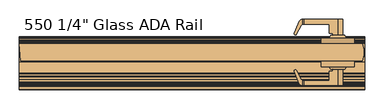
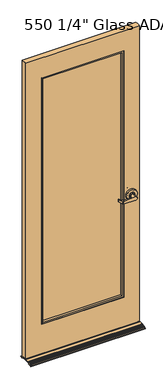
"""IFC4 building model written with IfcOpenShell, lengths in millimetres: door geometry."""

from ifc_helpers import new_model, si_unit, point, frame, frame_2d, origin, place, context, project, spatial, polyline, circle_curve, ellipse_curve, trimmed, segment, composite_curve, outline, extrude, faceted_brep, source, transform, mapped, element, save
from ifc_brep_helpers import plane_surface, cylinder_surface, revolved_surface, advanced_brep


def door_2efe741b(model_context):
    return source(origin(), model_context, "Body", "SolidModel", [
        advanced_brep(
        [(286.3528439, 133.746875, 1101.2430869), (290.0158065, 133.746875, 1101.2430869), (378.2808065, 133.746875, 1103.7830869), (391.6158065, 133.746875, 1090.4480869), (378.2808065, 133.746875, 1077.1130869), (290.0158065, 133.746875, 1079.6530869), (286.3528439, 133.746875, 1079.6530869), (364.9458065, 92.141675, 1077.4968279), (378.2808065, 92.141675, 1077.1130869), (391.6158065, 92.141675, 1090.4480869), (378.2808065, 92.141675, 1103.7830869), (364.9458065, 92.141675, 1103.3993459), (286.3528439, 121.1368647, 1101.2430869), (279.0463366, 128.9108033, 1100.9316678), (265.7891695, 97.678875, 1100.3666187), (271.202333, 94.7977413, 1100.5973394), (284.0998473, 119.0299912, 1101.1470593), (288.3039501, 121.554875, 1101.2430869), (290.0158065, 121.554875, 1101.2430869), (356.4368065, 121.554875, 1103.1544826), (356.4368065, 97.678875, 1103.1544826), (364.9458065, 97.678875, 1103.3993459), (364.9458065, 97.678875, 1077.4968279), (356.4368065, 97.678875, 1077.7416912), (356.4368065, 121.554875, 1077.7416912), (290.0158065, 121.554875, 1079.6530869), (288.3039501, 121.554875, 1079.6530869), (286.3528439, 121.1368647, 1079.6530869), (284.0998473, 119.0299912, 1079.7491144), (271.202333, 94.7977413, 1080.2988343), (265.7891695, 97.678875, 1080.5295551), (279.0463366, 128.9108033, 1079.964506)],
        [
            (0, 1),
            (1, 2),
            (2, 3, circle_curve(frame((378.2808065, 133.746875, 1090.4480869), z_axis=(0.0, 1.0, 0.0), x_axis=(-0.35585702448964207, 0.0, -0.934540410106154)), 13.335)),
            (3, 4, circle_curve(frame((378.2808065, 133.746875, 1090.4480869), z_axis=(0.0, 1.0, 0.0), x_axis=(-0.35585702448964207, 0.0, -0.934540410106154)), 13.335)),
            (4, 5),
            (5, 6),
            (6, 0),
            (7, 8),
            (8, 9, circle_curve(frame((378.2808065, 92.141675, 1090.4480869), z_axis=(0.0, -1.0, 0.0), x_axis=(-0.35585702448964207, 0.0, -0.934540410106154)), 13.335)),
            (9, 10, circle_curve(frame((378.2808065, 92.141675, 1090.4480869), z_axis=(0.0, -1.0, 0.0), x_axis=(-0.35585702448964207, 0.0, -0.934540410106154)), 13.335)),
            (10, 11),
            (11, 7),
            (12, 0),
            (0, 13, ellipse_curve(frame((286.3528439, 125.809375, 1101.2430869), z_axis=(-0.04258349589019025, 0.0, 0.9990929115341427), x_axis=(-0.9990929115341426, 0.0, -0.0425834958901871)), 7.9447066, 7.9375)),
            (13, 14),
            (14, 15, ellipse_curve(frame((268.6223914, 96.4762437, 1100.4873767), z_axis=(-0.04258349589019025, 0.0, 0.9990929115341427), x_axis=(-0.9990929115341426, 0.0, -0.0425834958901871)), 3.0806945, 3.0779)),
            (15, 16),
            (16, 12, ellipse_curve(frame((288.3039501, 116.792375, 1101.3262472), z_axis=(0.04258349589019025, 0.0, -0.9990929115341427), x_axis=(0.9990929115341426, 0.0, 0.0425834958901871)), 4.7668239, 4.7625)),
            (12, 17, circle_curve(frame((288.3039501, 116.792375, 1101.2430869), z_axis=(0.0, 0.0, -1.0), x_axis=(-0.8827512326927958, 0.4698406763780139, 0.0)), 4.7625)),
            (17, 18),
            (18, 1),
            (18, 19),
            (19, 20),
            (20, 21),
            (21, 11),
            (10, 2),
            (8, 4),
            (7, 22),
            (22, 23),
            (23, 24),
            (24, 25),
            (25, 5),
            (25, 26),
            (26, 27, circle_curve(frame((288.3039501, 116.792375, 1079.6530869), z_axis=(0.0, 0.0, 1.0), x_axis=(-0.8827512326927958, 0.4698406763780139, 0.0)), 4.7625)),
            (27, 6),
            (27, 28, ellipse_curve(frame((288.3039501, 116.792375, 1079.5699265), z_axis=(0.04258349589018283, 0.0, 0.999092911534143), x_axis=(-0.9990929115341431, 0.0, 0.04258349589017888)), 4.7668239, 4.7625)),
            (28, 29),
            (29, 30, ellipse_curve(frame((268.6223914, 96.4762437, 1080.408797), z_axis=(-0.04258349589018283, 0.0, -0.999092911534143), x_axis=(0.9990929115341431, 0.0, -0.04258349589017888)), 3.0806945, 3.0779)),
            (30, 31),
            (31, 6, ellipse_curve(frame((286.3528439, 125.809375, 1079.6530869), z_axis=(-0.04258349589018283, 0.0, -0.999092911534143), x_axis=(0.9990929115341431, 0.0, -0.04258349589017888)), 7.9447066, 7.9375)),
            (21, 22),
            (20, 23),
            (19, 24),
            (17, 26),
            (16, 28),
            (15, 29),
            (14, 30),
            (13, 31),
        ],
        [
            plane_surface(frame((259.5358065, 133.746875, 1098.5788082), z_axis=(0.0, 1.0, 0.0), x_axis=(0.0, 0.0, 1.0))),
            plane_surface(frame((259.5358065, 92.141675, 1098.5788082), z_axis=(0.0, -1.0, 0.0), x_axis=(0.0, 0.0, -1.0))),
            plane_surface(frame((261.0557052, 133.746875, 1100.1648682), z_axis=(-0.04258349589019025, 0.0, 0.9990929115341427), x_axis=(0.0, -1.0, 0.0))),
            plane_surface(frame((286.3528439, 133.746875, 1101.2430869), z_axis=(0.0, 0.0, 1.0), x_axis=(0.0, -1.0, 0.0))),
            plane_surface(frame((290.0158065, 133.746875, 1101.2430869), z_axis=(-0.028765070496247484, 0.0, 0.9995861997443473), x_axis=(0.0, -1.0, 0.0))),
            cylinder_surface(frame((378.2808065, 92.141675, 1090.4480869), z_axis=(0.0, 1.0, 0.0), x_axis=(-0.35585702448964207, 0.0, -0.934540410106154)), 13.335),
            plane_surface(frame((378.2808065, 133.746875, 1077.1130869), z_axis=(-0.028765070496247748, 0.0, -0.9995861997443471), x_axis=(0.0, -1.0, 0.0))),
            plane_surface(frame((290.0158065, 133.746875, 1079.6530869), z_axis=(0.0, 0.0, -1.0), x_axis=(0.0, -1.0, 0.0))),
            plane_surface(frame((286.3528439, 133.746875, 1079.6530869), z_axis=(-0.04258349589018283, 0.0, -0.999092911534143), x_axis=(0.0, -1.0, 0.0))),
            plane_surface(frame((364.9458065, 92.141675, 1138.1713932), z_axis=(-1.0, 0.0, 0.0), x_axis=(0.0, 0.0, -1.0))),
            plane_surface(frame((364.9458065, 97.678875, 1138.1713932), z_axis=(0.0, -1.0, 0.0), x_axis=(0.0, 0.0, -1.0))),
            plane_surface(frame((356.4368065, 97.678875, 1138.1713932), z_axis=(-1.0, 0.0, 0.0), x_axis=(0.0, 0.0, -1.0))),
            plane_surface(frame((356.4368065, 121.554875, 1138.1713932), z_axis=(0.0, -1.0, 0.0), x_axis=(0.0, 0.0, -1.0))),
            revolved_surface(polyline([(284.09984735430055, 119.0299912212503, 1101.5292352259548), (284.09984735430055, 119.0299912212503, 1079.3669384740451)]), (288.3039501, 116.792375, 1044.5572227), (0.0, 0.0, 1.0)),
            plane_surface(frame((284.0998473, 119.0299912, 1138.1713932), z_axis=(0.8827512326925905, -0.4698406763783997, 0.0), x_axis=(0.0, 0.0, -1.0))),
            cylinder_surface(frame((268.6223914, 96.4762437, 1044.5572227), z_axis=(0.0, 0.0, -1.0), x_axis=(-1.0, 0.0, 0.0)), 3.0779),
            plane_surface(frame((265.7891695, 97.678875, 1138.1713932), z_axis=(-0.9205048534524358, 0.39073112848928443, 0.0), x_axis=(0.0, 0.0, -1.0))),
            cylinder_surface(frame((286.3528439, 125.809375, 1044.5572227), z_axis=(0.0, 0.0, -1.0), x_axis=(0.0, 1.0, 0.0)), 7.9375),
        ],
        [
            (0, [[1, 2, 3, 4, 5, 6, 7]]),
            (1, [[8, 9, 10, 11, 12]]),
            (2, [[13, 14, 15, 16, 17, 18]]),
            (3, [[-1, -13, 19, 20, 21]]),
            (4, [[-2, -21, 22, 23, 24, 25, -11, 26]]),
            (5, [[-26, -10, -9, 27, -4, -3]]),
            (6, [[-5, -27, -8, 28, 29, 30, 31, 32]]),
            (7, [[-6, -32, 33, 34, 35]]),
            (8, [[-35, 36, 37, 38, 39, 40]]),
            (9, [[41, -28, -12, -25]]),
            (10, [[-41, -24, 42, -29]]),
            (11, [[-42, -23, 43, -30]]),
            (12, [[-43, -22, -20, 44, -33, -31]]),
            (13, [[-44, -19, -18, 45, -36, -34]]),
            (14, [[-45, -17, 46, -37]]),
            (15, [[-46, -16, 47, -38]]),
            (16, [[-47, -15, 48, -39]]),
            (17, [[-48, -14, -7, -40]]),
        ],
    ),
        advanced_brep(
        [(360.0245565, 92.141675, 1090.4480869), (396.5370565, 92.141675, 1090.4480869), (355.7383065, 84.851875, 1090.4480869), (400.8233065, 84.851875, 1090.4480869)],
        [
            (0, 1, circle_curve(frame((378.2808065, 92.141675, 1090.4480869), z_axis=(0.0, 1.0, 0.0), x_axis=(-1.0, 0.0, 0.0)), 18.25625)),
            (1, 0, circle_curve(frame((378.2808065, 92.141675, 1090.4480869), z_axis=(0.0, 1.0, 0.0), x_axis=(1.0, 0.0, 0.0)), 18.25625)),
            (2, 3, circle_curve(frame((378.2808065, 84.851875, 1090.4480869), z_axis=(0.0, -1.0, 0.0), x_axis=(1.0, 0.0, 0.0)), 22.5425)),
            (3, 2, circle_curve(frame((378.2808065, 84.851875, 1090.4480869), z_axis=(0.0, -1.0, 0.0), x_axis=(-1.0, 0.0, 0.0)), 22.5425)),
            (3, 1),
            (0, 2),
        ],
        [
            plane_surface(frame((378.2808065, 92.141675, 1090.4480869), z_axis=(0.0, 1.0, 0.0), x_axis=(0.0, 0.0, 1.0))),
            plane_surface(frame((378.2808065, 84.851875, 1090.4480869), z_axis=(0.0, -1.0, 0.0), x_axis=(0.0, 0.0, 1.0))),
            revolved_surface(polyline([(360.0245565053829, 92.141675, 1090.4480869), (355.7383065, 84.851875, 1090.4480869)]), (378.2808065, 123.1908231, 1090.4480869), (0.0, -1.0, 0.0)),
            revolved_surface(polyline([(396.5370564946171, 92.141675, 1090.4480869), (400.8233065, 84.851875, 1090.4480869)]), (378.2808065, 123.1908231, 1090.4480869), (0.0, -1.0, 0.0)),
        ],
        [
            (0, [[1, 2]]),
            (1, [[3, 4]]),
            (2, [[-4, 5, -1, 6]]),
            (3, [[-3, -6, -2, -5]]),
        ],
    ),
        extrude(outline(composite_curve([segment(trimmed(circle_curve(frame_2d((1090.4480869, 378.2808065)), 42.46499), [point((1090.4480869, 335.8158165))], [point((1090.4480869, 420.7457965))], False, "CARTESIAN"), True, "CONTINUOUS"), segment(trimmed(circle_curve(frame_2d((1090.4480869, 378.2808065)), 42.46499), [point((1090.4480869, 420.7457965))], [point((1090.4480869, 335.8158165))], False, "CARTESIAN"), True, "CONTINUOUS")], self_intersect=False)), frame((0.0, 70.246875, 0.0), z_axis=(0.0, 1.0, 0.0), x_axis=(0.0, 0.0, 1.0)), (0.0, 0.0, 1.0), 14.605),
        advanced_brep(
        [(286.3528439, -37.703125, 1101.2430869), (286.3528439, -37.703125, 1079.6530869), (290.0158065, -37.703125, 1079.6530869), (378.2808065, -37.703125, 1077.1130869), (391.6158065, -37.703125, 1090.4480869), (378.2808065, -37.703125, 1103.7830869), (290.0158065, -37.703125, 1101.2430869), (364.9458065, 3.902075, 1077.4968279), (364.9458065, 3.902075, 1103.3993459), (378.2808065, 3.902075, 1103.7830869), (391.6158065, 3.902075, 1090.4480869), (378.2808065, 3.902075, 1077.1130869), (286.3528439, -25.0931147, 1101.2430869), (284.0998473, -22.9862412, 1101.1470593), (271.202333, 1.2460087, 1100.5973394), (265.7891695, -1.635125, 1100.3666187), (279.0463366, -32.8670533, 1100.9316678), (290.0158065, -25.511125, 1101.2430869), (288.3039501, -25.511125, 1101.2430869), (364.9458065, -1.635125, 1103.3993459), (356.4368065, -1.635125, 1103.1544826), (356.4368065, -25.511125, 1103.1544826), (290.0158065, -25.511125, 1079.6530869), (356.4368065, -25.511125, 1077.7416912), (356.4368065, -1.635125, 1077.7416912), (364.9458065, -1.635125, 1077.4968279), (286.3528439, -25.0931147, 1079.6530869), (288.3039501, -25.511125, 1079.6530869), (279.0463366, -32.8670533, 1079.964506), (265.7891695, -1.635125, 1080.5295551), (271.202333, 1.2460087, 1080.2988343), (284.0998473, -22.9862412, 1079.7491144)],
        [
            (0, 1),
            (1, 2),
            (2, 3),
            (3, 4, circle_curve(frame((378.2808065, -37.703125, 1090.4480869), z_axis=(0.0, -1.0, 0.0), x_axis=(-0.35585702448964207, 0.0, -0.934540410106154)), 13.335)),
            (4, 5, circle_curve(frame((378.2808065, -37.703125, 1090.4480869), z_axis=(0.0, -1.0, 0.0), x_axis=(-0.35585702448964207, 0.0, -0.934540410106154)), 13.335)),
            (5, 6),
            (6, 0),
            (7, 8),
            (8, 9),
            (9, 10, circle_curve(frame((378.2808065, 3.902075, 1090.4480869), z_axis=(0.0, 1.0, 0.0), x_axis=(-0.35585702448964207, 0.0, -0.934540410106154)), 13.335)),
            (10, 11, circle_curve(frame((378.2808065, 3.902075, 1090.4480869), z_axis=(0.0, 1.0, 0.0), x_axis=(-0.35585702448964207, 0.0, -0.934540410106154)), 13.335)),
            (11, 7),
            (12, 13, ellipse_curve(frame((288.3039501, -20.748625, 1101.3262472), z_axis=(0.04258349589019025, 0.0, -0.9990929115341427), x_axis=(0.9990929115341426, 0.0, 0.0425834958901871)), 4.7668239, 4.7625)),
            (13, 14),
            (14, 15, ellipse_curve(frame((268.6223914, -0.4324937, 1100.4873767), z_axis=(-0.04258349589019025, 0.0, 0.9990929115341427), x_axis=(-0.9990929115341426, 0.0, -0.0425834958901871)), 3.0806945, 3.0779)),
            (15, 16),
            (16, 0, ellipse_curve(frame((286.3528439, -29.765625, 1101.2430869), z_axis=(-0.04258349589019025, 0.0, 0.9990929115341427), x_axis=(-0.9990929115341426, 0.0, -0.0425834958901871)), 7.9447066, 7.9375)),
            (0, 12),
            (6, 17),
            (17, 18),
            (18, 12, circle_curve(frame((288.3039501, -20.748625, 1101.2430869), z_axis=(0.0, 0.0, -1.0), x_axis=(-0.8827512326927958, -0.4698406763780139, 0.0)), 4.7625)),
            (5, 9),
            (8, 19),
            (19, 20),
            (20, 21),
            (21, 17),
            (3, 11),
            (2, 22),
            (22, 23),
            (23, 24),
            (24, 25),
            (25, 7),
            (1, 26),
            (26, 27, circle_curve(frame((288.3039501, -20.748625, 1079.6530869), z_axis=(0.0, 0.0, 1.0), x_axis=(-0.8827512326927958, -0.4698406763780139, 0.0)), 4.7625)),
            (27, 22),
            (1, 28, ellipse_curve(frame((286.3528439, -29.765625, 1079.6530869), z_axis=(-0.04258349589018283, 0.0, -0.999092911534143), x_axis=(0.9990929115341431, 0.0, -0.04258349589017888)), 7.9447066, 7.9375)),
            (28, 29),
            (29, 30, ellipse_curve(frame((268.6223914, -0.4324937, 1080.408797), z_axis=(-0.04258349589018283, 0.0, -0.999092911534143), x_axis=(0.9990929115341431, 0.0, -0.04258349589017888)), 3.0806945, 3.0779)),
            (30, 31),
            (31, 26, ellipse_curve(frame((288.3039501, -20.748625, 1079.5699265), z_axis=(0.04258349589018283, 0.0, 0.999092911534143), x_axis=(-0.9990929115341431, 0.0, 0.04258349589017888)), 4.7668239, 4.7625)),
            (25, 19),
            (24, 20),
            (23, 21),
            (27, 18),
            (31, 13),
            (30, 14),
            (29, 15),
            (28, 16),
        ],
        [
            plane_surface(frame((259.5358065, -37.703125, 1098.5788082), z_axis=(0.0, -1.0, 0.0), x_axis=(0.0, 0.0, 1.0))),
            plane_surface(frame((259.5358065, 3.902075, 1098.5788082), z_axis=(0.0, 1.0, 0.0), x_axis=(0.0, 0.0, -1.0))),
            plane_surface(frame((261.0557052, -37.703125, 1100.1648682), z_axis=(-0.04258349589019025, 0.0, 0.9990929115341427), x_axis=(0.0, 1.0, 0.0))),
            plane_surface(frame((286.3528439, -37.703125, 1101.2430869), z_axis=(0.0, 0.0, 1.0), x_axis=(0.0, 1.0, 0.0))),
            plane_surface(frame((290.0158065, -37.703125, 1101.2430869), z_axis=(-0.028765070496247484, 0.0, 0.9995861997443473), x_axis=(0.0, 1.0, 0.0))),
            cylinder_surface(frame((378.2808065, 3.902075, 1090.4480869), z_axis=(0.0, -1.0, 0.0), x_axis=(-0.35585702448964207, 0.0, -0.934540410106154)), 13.335),
            plane_surface(frame((378.2808065, -37.703125, 1077.1130869), z_axis=(-0.028765070496247748, 0.0, -0.9995861997443471), x_axis=(0.0, 1.0, 0.0))),
            plane_surface(frame((290.0158065, -37.703125, 1079.6530869), z_axis=(0.0, 0.0, -1.0), x_axis=(0.0, 1.0, 0.0))),
            plane_surface(frame((286.3528439, -37.703125, 1079.6530869), z_axis=(-0.04258349589018283, 0.0, -0.999092911534143), x_axis=(0.0, 1.0, 0.0))),
            plane_surface(frame((364.9458065, 3.902075, 1138.1713932), z_axis=(-1.0, 0.0, 0.0), x_axis=(0.0, 0.0, -1.0))),
            plane_surface(frame((364.9458065, -1.635125, 1138.1713932), z_axis=(0.0, 1.0, 0.0), x_axis=(0.0, 0.0, -1.0))),
            plane_surface(frame((356.4368065, -1.635125, 1138.1713932), z_axis=(-1.0, 0.0, 0.0), x_axis=(0.0, 0.0, -1.0))),
            plane_surface(frame((356.4368065, -25.511125, 1138.1713932), z_axis=(0.0, 1.0, 0.0), x_axis=(0.0, 0.0, -1.0))),
            revolved_surface(polyline([(284.09984735430055, -22.986241221250292, 1101.5292352259548), (284.09984735430055, -22.986241221250292, 1079.3669384740451)]), (288.3039501, -20.748625, 1044.5572227), (0.0, 0.0, 1.0)),
            plane_surface(frame((284.0998473, -22.9862412, 1138.1713932), z_axis=(0.8827512326925905, 0.4698406763783997, 0.0), x_axis=(0.0, 0.0, -1.0))),
            cylinder_surface(frame((268.6223914, -0.4324937, 1044.5572227), z_axis=(0.0, 0.0, -1.0), x_axis=(-1.0, 0.0, 0.0)), 3.0779),
            plane_surface(frame((265.7891695, -1.635125, 1138.1713932), z_axis=(-0.9205048534524358, -0.39073112848928443, 0.0), x_axis=(0.0, 0.0, -1.0))),
            cylinder_surface(frame((286.3528439, -29.765625, 1044.5572227), z_axis=(0.0, 0.0, -1.0), x_axis=(0.0, -1.0, 0.0)), 7.9375),
        ],
        [
            (0, [[1, 2, 3, 4, 5, 6, 7]]),
            (1, [[8, 9, 10, 11, 12]]),
            (2, [[13, 14, 15, 16, 17, 18]]),
            (3, [[19, 20, 21, -18, -7]]),
            (4, [[22, -9, 23, 24, 25, 26, -19, -6]]),
            (5, [[-5, -4, 27, -11, -10, -22]]),
            (6, [[28, 29, 30, 31, 32, -12, -27, -3]]),
            (7, [[33, 34, 35, -28, -2]]),
            (8, [[36, 37, 38, 39, 40, -33]]),
            (9, [[-23, -8, -32, 41]]),
            (10, [[-31, 42, -24, -41]]),
            (11, [[-30, 43, -25, -42]]),
            (12, [[-29, -35, 44, -20, -26, -43]]),
            (13, [[-34, -40, 45, -13, -21, -44]]),
            (14, [[-39, 46, -14, -45]]),
            (15, [[-38, 47, -15, -46]]),
            (16, [[-37, 48, -16, -47]]),
            (17, [[-36, -1, -17, -48]]),
        ],
    ),
        advanced_brep(
        [(360.0245565, 3.902075, 1090.4480869), (396.5370565, 3.902075, 1090.4480869), (355.7383065, 11.191875, 1090.4480869), (400.8233065, 11.191875, 1090.4480869)],
        [
            (0, 1, circle_curve(frame((378.2808065, 3.902075, 1090.4480869), z_axis=(0.0, -1.0, 0.0), x_axis=(1.0, 0.0, 0.0)), 18.25625)),
            (1, 0, circle_curve(frame((378.2808065, 3.902075, 1090.4480869), z_axis=(0.0, -1.0, 0.0), x_axis=(-1.0, 0.0, 0.0)), 18.25625)),
            (2, 3, circle_curve(frame((378.2808065, 11.191875, 1090.4480869), z_axis=(0.0, 1.0, 0.0), x_axis=(-1.0, 0.0, 0.0)), 22.5425)),
            (3, 2, circle_curve(frame((378.2808065, 11.191875, 1090.4480869), z_axis=(0.0, 1.0, 0.0), x_axis=(1.0, 0.0, 0.0)), 22.5425)),
            (2, 0),
            (1, 3),
        ],
        [
            plane_surface(frame((378.2808065, 3.902075, 1090.4480869), z_axis=(0.0, -1.0, 0.0), x_axis=(0.0, 0.0, 1.0))),
            plane_surface(frame((378.2808065, 11.191875, 1090.4480869), z_axis=(0.0, 1.0, 0.0), x_axis=(0.0, 0.0, 1.0))),
            revolved_surface(polyline([(360.0245565053829, 3.902075, 1090.4480869), (355.7383065, 11.191874999999996, 1090.4480869)]), (378.2808065, -27.1470731, 1090.4480869), (0.0, 1.0, 0.0)),
            revolved_surface(polyline([(396.5370564946171, 3.902075, 1090.4480869), (400.8233065, 11.191874999999996, 1090.4480869)]), (378.2808065, -27.1470731, 1090.4480869), (0.0, 1.0, 0.0)),
        ],
        [
            (0, [[1, 2]]),
            (1, [[3, 4]]),
            (2, [[5, -2, 6, -3]]),
            (3, [[-6, -1, -5, -4]]),
        ],
    ),
        extrude(outline(composite_curve([segment(trimmed(circle_curve(frame_2d((1090.4480869, 378.2808065)), 42.46499), [point((1090.4480869, 335.8158165))], [point((1090.4480869, 420.7457965))], False, "CARTESIAN"), True, "CONTINUOUS"), segment(trimmed(circle_curve(frame_2d((1090.4480869, 378.2808065)), 42.46499), [point((1090.4480869, 420.7457965))], [point((1090.4480869, 335.8158165))], False, "CARTESIAN"), True, "CONTINUOUS")], self_intersect=False)), frame((0.0, 11.191875, 0.0), z_axis=(0.0, 1.0, 0.0), x_axis=(0.0, 0.0, 1.0)), (0.0, 0.0, 1.0), 14.605),
        faceted_brep([(321.4751047, 29.3257468, 2292.35), (321.4751047, 27.384375, 2292.35), (321.4751047, 27.384375, 258.7625), (321.4751047, 29.3257468, 258.7625), (316.1172922, 44.8467453, 2286.9921875), (316.1172922, 29.3257468, 2286.9921875), (316.1172922, 29.3257468, 264.1203125), (316.1172922, 44.8467453, 264.1203125), (308.7751047, 27.384375, 2279.65), (308.7751047, 44.8467453, 2279.65), (308.7751047, 44.8467453, 271.4625), (308.7751047, 27.384375, 271.4625), (-321.4751047, 27.384375, 258.7625), (-321.4751047, 29.3257468, 258.7625), (-316.1172922, 29.3257468, 264.1203125), (-316.1172922, 44.8467453, 264.1203125), (-308.7751047, 44.8467453, 271.4625), (-308.7751047, 27.384375, 271.4625), (-321.4751047, 27.384375, 2292.35), (-321.4751047, 29.3257468, 2292.35), (-316.1172922, 29.3257468, 2286.9921875), (-316.1172922, 44.8467453, 2286.9921875), (-308.7751047, 44.8467453, 2279.65), (-308.7751047, 27.384375, 2279.65)], [[[0, 1, 2, 3]], [[4, 5, 6, 7]], [[8, 9, 10, 11]], [[3, 2, 12, 13]], [[7, 6, 14, 15]], [[11, 10, 16, 17]], [[13, 12, 18, 19]], [[15, 14, 20, 21]], [[17, 16, 22, 23]], [[19, 18, 1, 0]], [[3, 13, 19, 0], [5, 20, 14, 6]], [[21, 20, 5, 4]], [[7, 15, 21, 4], [9, 22, 16, 10]], [[23, 22, 9, 8]], [[1, 18, 12, 2], [11, 17, 23, 8]]]),
        faceted_brep([(308.7751047, 51.1970047, 2279.65), (308.7751047, 68.659375, 2279.65), (308.7751047, 68.659375, 271.4625), (308.7751047, 51.1970047, 271.4625), (316.1172922, 66.7180032, 2286.9921875), (316.1172922, 51.1970047, 2286.9921875), (316.1172922, 51.1970047, 264.1203125), (316.1172922, 66.7180032, 264.1203125), (321.4751047, 68.659375, 2292.35), (321.4751047, 66.7180032, 2292.35), (321.4751047, 66.7180032, 258.7625), (321.4751047, 68.659375, 258.7625), (-308.7751047, 68.659375, 271.4625), (-308.7751047, 51.1970047, 271.4625), (-316.1172922, 51.1970047, 264.1203125), (-316.1172922, 66.7180032, 264.1203125), (-321.4751047, 66.7180032, 258.7625), (-321.4751047, 68.659375, 258.7625), (-308.7751047, 68.659375, 2279.65), (-308.7751047, 51.1970047, 2279.65), (-316.1172922, 51.1970047, 2286.9921875), (-316.1172922, 66.7180032, 2286.9921875), (-321.4751047, 66.7180032, 2292.35), (-321.4751047, 68.659375, 2292.35)], [[[0, 1, 2, 3]], [[4, 5, 6, 7]], [[8, 9, 10, 11]], [[3, 2, 12, 13]], [[7, 6, 14, 15]], [[11, 10, 16, 17]], [[13, 12, 18, 19]], [[15, 14, 20, 21]], [[17, 16, 22, 23]], [[11, 17, 23, 8], [1, 18, 12, 2]], [[19, 18, 1, 0]], [[5, 20, 14, 6], [3, 13, 19, 0]], [[21, 20, 5, 4]], [[9, 22, 16, 10], [7, 15, 21, 4]], [[23, 22, 9, 8]]]),
        advanced_brep(
        [(-444.9070087, 25.796875, 2457.45), (-444.9070087, 25.796875, 17.4625), (442.6428763, 25.796875, 17.4625), (442.6428763, 25.796875, 2457.45), (321.4751047, 25.796875, 258.7625), (-321.4751047, 25.796875, 258.7625), (-321.4751047, 25.796875, 2292.35), (321.4751047, 25.796875, 2292.35), (-448.4884075, 70.246875, 17.4625), (442.6428763, 70.246875, 17.4625), (-448.4884075, 70.246875, 2457.45), (442.6428763, 70.246875, 2457.45), (321.4751047, 70.246875, 258.7625), (321.4751047, 70.246875, 2292.35), (-321.4751047, 70.246875, 2292.35), (-321.4751047, 70.246875, 258.7625)],
        [
            (0, 1),
            (1, 2),
            (2, 3),
            (3, 0),
            (4, 5),
            (5, 6),
            (6, 7),
            (7, 4),
            (1, 8),
            (8, 9),
            (9, 2, circle_curve(frame((368.6301569, 48.021875, 17.4625), z_axis=(0.0, 0.0, -1.0), x_axis=(1.0, 0.0, 0.0)), 77.2776375)),
            (8, 10),
            (10, 11),
            (11, 9),
            (12, 13),
            (13, 14),
            (14, 15),
            (15, 12),
            (4, 12),
            (15, 5),
            (6, 14),
            (13, 7),
            (3, 11, circle_curve(frame((368.6301569, 48.021875, 2457.45), z_axis=(0.0, 0.0, 1.0), x_axis=(1.0, 0.0, 0.0)), 77.2776375)),
            (10, 0),
        ],
        [
            plane_surface(frame((321.4751047, 25.796875, 258.7625), z_axis=(0.0, -1.0, 0.0), x_axis=(-1.0, 0.0, 0.0))),
            plane_surface(frame((321.4751047, 25.796875, 17.4625), z_axis=(0.0, 0.0, -1.0), x_axis=(-1.0, 0.0, 0.0))),
            plane_surface(frame((321.4751047, 70.246875, 17.4625), z_axis=(0.0, 1.0, 0.0), x_axis=(-1.0, 0.0, 0.0))),
            plane_surface(frame((321.4751047, 70.246875, 258.7625), z_axis=(0.0, 0.0, 1.0), x_axis=(-1.0, 0.0, 0.0))),
            plane_surface(frame((321.4751047, 25.796875, 2292.35), z_axis=(0.0, 0.0, -1.0), x_axis=(-1.0, 0.0, 0.0))),
            plane_surface(frame((321.4751047, 70.246875, 2457.45), z_axis=(0.0, 0.0, 1.0), x_axis=(-1.0, 0.0, 0.0))),
            plane_surface(frame((-321.4751047, 25.796875, 2457.45), z_axis=(1.0, 0.0, 0.0), x_axis=(0.0, 0.0, -1.0))),
            plane_surface(frame((-448.4884075, 70.246875, 2457.45), z_axis=(-0.996769843104391, -0.08031114416846477, 0.0), x_axis=(0.0, 0.0, -1.0))),
            cylinder_surface(frame((368.6301569, 48.021875, 0.0), z_axis=(0.0, 0.0, 1.0), x_axis=(1.0, 0.0, 0.0)), 77.2776375),
            plane_surface(frame((321.4751047, 70.246875, 2457.45), z_axis=(-1.0, 0.0, 0.0), x_axis=(0.0, 0.0, -1.0))),
        ],
        [
            (0, [[1, 2, 3, 4], [5, 6, 7, 8]]),
            (1, [[-2, 9, 10, 11]]),
            (2, [[-10, 12, 13, 14], [15, 16, 17, 18]]),
            (3, [[-5, 19, -18, 20]]),
            (4, [[-7, 21, -16, 22]]),
            (5, [[-4, 23, -13, 24]]),
            (6, [[-17, -21, -6, -20]]),
            (7, [[-24, -12, -9, -1]]),
            (8, [[-23, -3, -11, -14]]),
            (9, [[-8, -22, -15, -19]]),
        ],
    ),
        extrude(outline(polyline([(-316.1172922, 44.8467453), (-316.1172922, 51.1970047), (316.1172922, 51.1970047), (316.1172922, 44.8467453), (-316.1172922, 44.8467453)])), frame((0.0, 0.0, 258.7625), z_axis=(0.0, 0.0, 1.0), x_axis=(1.0, 0.0, 0.0)), (0.0, 0.0, 1.0), 2033.5875),
        advanced_brep(
        [(-448.4751, 87.4513726, 3.2341181), (-448.4751, 89.2759278, 0.0029879), (-448.4751, 84.3683392, 0.6976729), (-448.4751, 84.3683392, 1.6022659), (-448.4751, 78.4930535, 4.2970662), (-448.4751, 78.105628, 5.3410171), (-448.4751, 77.1359136, 5.7857932), (-448.4751, 76.0919626, 5.3983677), (-448.4751, 72.3298298, 7.1239343), (-448.4751, 72.3298298, 1.8e-06), (-448.4751, 70.7550228, 1.8e-06), (-448.4751, 70.7550228, 7.8462464), (-448.4751, 69.6421988, 8.3566622), (-448.4751, 58.6937899, 8.3566622), (-448.4751, 57.9063622, 7.5692345), (-448.4751, 52.4123746, 7.5692345), (-448.4751, 51.6249711, 8.356638), (-448.4751, 50.56578, 8.356638), (-448.4751, 49.7783765, 7.5692345), (-448.4751, 44.2843632, 7.5692345), (-448.4751, 43.4969839, 8.3566138), (-448.4751, 42.4377701, 8.3566138), (-448.4751, 41.6503666, 7.5692103), (-448.4751, 36.1563761, 7.5692103), (-448.4751, 35.3689847, 8.3566017), (-448.4751, 2.4647023, 8.3566017), (-448.4751, 2.4647023, 9.9313965), (-448.4751, -2.916198, 9.9313965), (-448.4751, -3.7036015, 9.143993), (-448.4751, -9.1938025, 9.143993), (-448.4751, -9.9811938, 9.9313844), (-448.4751, -11.0480069, 9.9313844), (-448.4751, -11.8353983, 9.143993), (-448.4751, -17.3255821, 9.143993), (-448.4751, -18.1129856, 9.9313965), (-448.4751, -20.8741431, 9.9313965), (-448.4751, -20.8741431, 1.8e-06), (-448.4751, -22.5068476, 1.8e-06), (-448.4751, -22.5068476, 9.692302), (-448.4751, -27.4065601, 7.612495), (-448.4751, -27.8237054, 6.5800354), (-448.4751, -32.8809214, 4.4333745), (-448.4751, -33.9133877, 4.8505225), (-448.4751, -34.8884253, 4.4366435), (-448.4751, -35.3055637, 3.4042011), (-448.4751, -40.3628143, 1.2575255), (-448.4751, -41.3952806, 1.6746735), (-448.4751, -43.7875575, 0.6592122), (-448.4751, -48.7162458, -0.0384597), (-448.4751, -48.7162458, 1.0536196), (-448.4751, -48.2365026, 1.7784257), (-448.4751, -41.4213738, 4.6712706), (-448.4751, -40.3889439, 4.2541372), (-448.4751, -37.4429596, 5.5046334), (-448.4751, -37.0258195, 6.5370801), (-448.4751, -33.939539, 7.84713), (-448.4751, -32.9070667, 7.4299795), (-448.4751, -29.9611092, 8.6804644), (-448.4751, -29.5439674, 9.7129153), (-448.4751, -22.5068409, 12.7000018), (-448.4751, -16.9662261, 12.7000018), (-448.4751, -16.1788226, 11.9125983), (-448.4751, -12.9784152, 11.9125983), (-448.4751, -12.1910117, 12.7000018), (-448.4751, -8.8381804, 12.7000018), (-448.4751, -8.050777, 11.9125983), (-448.4751, -4.8503953, 11.9125983), (-448.4751, -4.0629918, 12.7000018), (-448.4751, 22.5965767, 12.7000018), (-448.4751, 22.5965767, 11.1252069), (-448.4751, 36.5157785, 11.1252069), (-448.4751, 37.3031698, 10.3378155), (-448.4751, 40.5035814, 10.3378155), (-448.4751, 41.2909849, 11.125219), (-448.4751, 44.6437777, 11.125219), (-448.4751, 45.4311691, 10.3378276), (-448.4751, 48.6315792, 10.3378276), (-448.4751, 49.4189827, 11.1252311), (-448.4751, 52.771777, 11.1252311), (-448.4751, 53.5591683, 10.3378397), (-448.4751, 56.759577, 10.3378397), (-448.4751, 57.5469926, 11.1252553), (-448.4751, 70.246875, 11.1252553), (-448.4751, 72.5825637, 10.0539518), (-448.4751, 72.970013, 9.0099366), (-448.4751, 75.8789758, 7.6756911), (-448.4751, 76.922991, 8.0631405), (-448.4751, 79.9705495, 6.6653257), (-448.4751, 80.3579869, 5.6213426), (-448.4751, 83.2669789, 4.2870837), (-448.4751, 84.310962, 4.6745212), (448.4751, 87.4513726, 3.2341181), (448.4751, 84.310962, 4.6745212), (448.4751, 83.2669789, 4.2870837), (448.4751, 80.3579869, 5.6213426), (448.4751, 79.9705495, 6.6653257), (448.4751, 76.922991, 8.0631405), (448.4751, 75.8789758, 7.6756911), (448.4751, 72.970013, 9.0099366), (448.4751, 72.5825637, 10.0539518), (448.4751, 70.246875, 11.1252553), (448.4751, 57.5469926, 11.1252553), (448.4751, 56.759577, 10.3378397), (448.4751, 53.5591683, 10.3378397), (448.4751, 52.771777, 11.1252311), (448.4751, 49.4189827, 11.1252311), (448.4751, 48.6315792, 10.3378276), (448.4751, 45.4311691, 10.3378276), (448.4751, 44.6437777, 11.125219), (448.4751, 41.2909849, 11.125219), (448.4751, 40.5035814, 10.3378155), (448.4751, 37.3031698, 10.3378155), (448.4751, 36.5157785, 11.1252069), (448.4751, 22.5965767, 11.1252069), (448.4751, 22.5965767, 12.7000018), (448.4751, -4.0629918, 12.7000018), (448.4751, -4.8503953, 11.9125983), (448.4751, -8.050777, 11.9125983), (448.4751, -8.8381804, 12.7000018), (448.4751, -12.1910117, 12.7000018), (448.4751, -12.9784152, 11.9125983), (448.4751, -16.1788226, 11.9125983), (448.4751, -16.9662261, 12.7000018), (448.4751, -22.5068409, 12.7000018), (448.4751, -29.5439674, 9.7129153), (448.4751, -29.9611092, 8.6804644), (448.4751, -32.9070667, 7.4299795), (448.4751, -33.939539, 7.84713), (448.4751, -37.0258195, 6.5370801), (448.4751, -37.4429596, 5.5046334), (448.4751, -40.3889439, 4.2541372), (448.4751, -41.4213738, 4.6712706), (448.4751, -48.2364956, 1.7784295), (448.4751, -48.7162423, 1.0536196), (448.4751, -48.7162458, -0.0384597), (448.4751, -43.7875575, 0.6592122), (448.4751, -41.3952806, 1.6746735), (448.4751, -40.3628143, 1.2575255), (448.4751, -35.3055637, 3.4042011), (448.4751, -34.8884253, 4.4366435), (448.4751, -33.9133877, 4.8505225), (448.4751, -32.8809214, 4.4333745), (448.4751, -27.8237054, 6.5800354), (448.4751, -27.4065601, 7.612495), (448.4751, -22.5068476, 9.692302), (448.4751, -22.5068476, 1.8e-06), (448.4751, -20.8741431, 1.8e-06), (448.4751, -20.8741431, 9.9313965), (448.4751, -18.1129856, 9.9313965), (448.4751, -17.3255821, 9.143993), (448.4751, -11.8353983, 9.143993), (448.4751, -11.0480069, 9.9313844), (448.4751, -9.9811938, 9.9313844), (448.4751, -9.1938025, 9.143993), (448.4751, -3.7036015, 9.143993), (448.4751, -2.916198, 9.9313965), (448.4751, 2.4647023, 9.9313965), (448.4751, 2.4647023, 8.3566017), (448.4751, 35.3689847, 8.3566017), (448.4751, 36.1563761, 7.5692103), (448.4751, 41.6503666, 7.5692103), (448.4751, 42.4377701, 8.3566138), (448.4751, 43.4969839, 8.3566138), (448.4751, 44.2843632, 7.5692345), (448.4751, 49.7783765, 7.5692345), (448.4751, 50.56578, 8.356638), (448.4751, 51.6249711, 8.356638), (448.4751, 52.4123746, 7.5692345), (448.4751, 57.9063622, 7.5692345), (448.4751, 58.6937899, 8.3566622), (448.4751, 69.6421988, 8.3566622), (448.4751, 70.7550228, 7.8462464), (448.4751, 70.7550228, 1.8e-06), (448.4751, 72.3298298, 1.8e-06), (448.4751, 72.3298298, 7.1239343), (448.4751, 76.0919626, 5.3983677), (448.4751, 77.1359136, 5.7857932), (448.4751, 78.105628, 5.3410171), (448.4751, 78.4930535, 4.2970662), (448.4751, 84.3683392, 1.6022659), (448.4751, 84.3683392, 0.6976729), (448.4751, 89.2759278, 0.0029879)],
        [
            (0, 1, circle_curve(frame((-448.4751, 86.1474457, 0.3671063), z_axis=(-1.0, 0.0, 0.0), x_axis=(0.0, -1.0, 0.0)), 3.1496003)),
            (1, 2),
            (2, 3),
            (3, 4),
            (4, 5),
            (5, 6),
            (6, 7),
            (7, 8),
            (8, 9),
            (9, 10),
            (10, 11),
            (11, 12),
            (12, 13),
            (13, 14),
            (14, 15),
            (15, 16),
            (16, 17),
            (17, 18),
            (18, 19),
            (19, 20),
            (20, 21),
            (21, 22),
            (22, 23),
            (23, 24),
            (24, 25),
            (25, 26),
            (26, 27),
            (27, 28),
            (28, 29),
            (29, 30),
            (30, 31),
            (31, 32),
            (32, 33),
            (33, 34),
            (34, 35),
            (35, 36),
            (36, 37),
            (37, 38),
            (38, 39),
            (39, 40),
            (40, 41),
            (41, 42),
            (42, 43),
            (43, 44),
            (44, 45),
            (45, 46),
            (46, 47),
            (47, 48),
            (48, 49),
            (49, 50, circle_curve(frame((-448.4751, -47.9288423, 1.0536196), z_axis=(-1.0, 0.0, 0.0), x_axis=(0.0, -1.0, 0.0)), 0.7874)),
            (50, 51),
            (51, 52),
            (52, 53),
            (53, 54),
            (54, 55),
            (55, 56),
            (56, 57),
            (57, 58),
            (58, 59),
            (59, 60),
            (60, 61),
            (61, 62),
            (62, 63),
            (63, 64),
            (64, 65),
            (65, 66),
            (66, 67),
            (67, 68),
            (68, 69),
            (69, 70),
            (70, 71),
            (71, 72),
            (72, 73),
            (73, 74),
            (74, 75),
            (75, 76),
            (76, 77),
            (77, 78),
            (78, 79),
            (79, 80),
            (80, 81),
            (81, 82),
            (82, 83),
            (83, 84),
            (84, 85),
            (85, 86),
            (86, 87),
            (87, 88),
            (88, 89),
            (89, 90),
            (90, 0),
            (91, 92),
            (92, 93),
            (93, 94),
            (94, 95),
            (95, 96),
            (96, 97),
            (97, 98),
            (98, 99),
            (99, 100),
            (100, 101),
            (101, 102),
            (102, 103),
            (103, 104),
            (104, 105),
            (105, 106),
            (106, 107),
            (107, 108),
            (108, 109),
            (109, 110),
            (110, 111),
            (111, 112),
            (112, 113),
            (113, 114),
            (114, 115),
            (115, 116),
            (116, 117),
            (117, 118),
            (118, 119),
            (119, 120),
            (120, 121),
            (121, 122),
            (122, 123),
            (123, 124),
            (124, 125),
            (125, 126),
            (126, 127),
            (127, 128),
            (128, 129),
            (129, 130),
            (130, 131),
            (131, 132),
            (132, 133, circle_curve(frame((448.4751, -47.9288423, 1.0536196), z_axis=(1.0, 0.0, 0.0), x_axis=(0.0, -1.0, 0.0)), 0.7874)),
            (133, 134),
            (134, 135),
            (135, 136),
            (136, 137),
            (137, 138),
            (138, 139),
            (139, 140),
            (140, 141),
            (141, 142),
            (142, 143),
            (143, 144),
            (144, 145),
            (145, 146),
            (146, 147),
            (147, 148),
            (148, 149),
            (149, 150),
            (150, 151),
            (151, 152),
            (152, 153),
            (153, 154),
            (154, 155),
            (155, 156),
            (156, 157),
            (157, 158),
            (158, 159),
            (159, 160),
            (160, 161),
            (161, 162),
            (162, 163),
            (163, 164),
            (164, 165),
            (165, 166),
            (166, 167),
            (167, 168),
            (168, 169),
            (169, 170),
            (170, 171),
            (171, 172),
            (172, 173),
            (173, 174),
            (174, 175),
            (175, 176),
            (176, 177),
            (177, 178),
            (178, 179),
            (179, 180),
            (180, 181),
            (181, 91, circle_curve(frame((448.4751, 86.1474457, 0.3671063), z_axis=(1.0, 0.0, 0.0), x_axis=(0.0, -1.0, 0.0)), 3.1496003)),
            (0, 91),
            (181, 1),
            (180, 2),
            (179, 3),
            (178, 4),
            (177, 5),
            (176, 6),
            (175, 7),
            (174, 8),
            (173, 9),
            (172, 10),
            (171, 11),
            (170, 12),
            (169, 13),
            (168, 14),
            (167, 15),
            (166, 16),
            (165, 17),
            (164, 18),
            (163, 19),
            (162, 20),
            (161, 21),
            (160, 22),
            (159, 23),
            (158, 24),
            (157, 25),
            (156, 26),
            (155, 27),
            (154, 28),
            (153, 29),
            (152, 30),
            (151, 31),
            (150, 32),
            (149, 33),
            (148, 34),
            (147, 35),
            (146, 36),
            (145, 37),
            (144, 38),
            (143, 39),
            (142, 40),
            (141, 41),
            (140, 42),
            (139, 43),
            (138, 44),
            (137, 45),
            (136, 46),
            (135, 47),
            (134, 48),
            (133, 49),
            (132, 50),
            (131, 51),
            (130, 52),
            (129, 53),
            (128, 54),
            (127, 55),
            (126, 56),
            (125, 57),
            (124, 58),
            (123, 59),
            (122, 60),
            (121, 61),
            (120, 62),
            (119, 63),
            (118, 64),
            (117, 65),
            (116, 66),
            (115, 67),
            (114, 68),
            (113, 69),
            (112, 70),
            (111, 71),
            (110, 72),
            (109, 73),
            (108, 74),
            (107, 75),
            (106, 76),
            (105, 77),
            (104, 78),
            (103, 79),
            (102, 80),
            (101, 81),
            (100, 82),
            (99, 83),
            (98, 84),
            (97, 85),
            (96, 86),
            (95, 87),
            (94, 88),
            (93, 89),
            (92, 90),
        ],
        [
            plane_surface(frame((-448.4751, 82.9978454, 0.3671063), z_axis=(-1.0, 0.0, 0.0), x_axis=(0.0, 0.0, 1.0))),
            plane_surface(frame((448.4751, 82.9978454, 0.3671063), z_axis=(1.0, 0.0, 0.0), x_axis=(0.0, 0.0, -1.0))),
            cylinder_surface(frame((448.4751, 86.1474457, 0.3671063), z_axis=(-1.0, 0.0, 0.0), x_axis=(0.0, -1.0, 0.0)), 3.1496003),
            plane_surface(frame((-448.4751, 89.2759278, 0.0029879), z_axis=(0.0, -0.14015603318521264, -0.9901294290959065), x_axis=(1.0, 0.0, 0.0))),
            plane_surface(frame((-448.4751, 84.3683392, 0.6976729), z_axis=(0.0, -1.0, 0.0), x_axis=(1.0, 0.0, 0.0))),
            plane_surface(frame((-448.4751, 84.3683392, 1.6022659), z_axis=(0.0, -0.41690541385225843, -0.9089498753510433), x_axis=(1.0, 0.0, 0.0))),
            plane_surface(frame((-448.4751, 78.4930535, 4.2970662), z_axis=(0.0, -0.9375212829017057, -0.34792792947152157), x_axis=(1.0, 0.0, 0.0))),
            plane_surface(frame((-448.4751, 78.105628, 5.3410171), z_axis=(0.0, -0.41690541385227203, -0.9089498753510371), x_axis=(1.0, 0.0, 0.0))),
            plane_surface(frame((-448.4751, 77.1359136, 5.7857932), z_axis=(0.0, 0.347927929471503, -0.9375212829017125), x_axis=(1.0, 0.0, 0.0))),
            plane_surface(frame((-448.4751, 76.0919626, 5.3983677), z_axis=(0.0, -0.4169054138522629, -0.9089498753510413), x_axis=(1.0, 0.0, 0.0))),
            plane_surface(frame((-448.4751, 72.3298298, 7.1239343), z_axis=(0.0, 1.0, 0.0), x_axis=(1.0, 0.0, 0.0))),
            plane_surface(frame((-448.4751, 72.3298298, 1.8e-06), z_axis=(0.0, 0.0, -1.0), x_axis=(1.0, 0.0, 0.0))),
            plane_surface(frame((-448.4751, 70.7550228, 1.8e-06), z_axis=(0.0, -1.0, 0.0), x_axis=(1.0, 0.0, 0.0))),
            plane_surface(frame((-448.4751, 70.7550228, 7.8462464), z_axis=(0.0, -0.4169054138522623, -0.9089498753510415), x_axis=(1.0, 0.0, 0.0))),
            plane_surface(frame((-448.4751, 69.6421988, 8.3566622), z_axis=(0.0, 0.0, -1.0), x_axis=(1.0, 0.0, 0.0))),
            plane_surface(frame((-448.4751, 58.6937899, 8.3566622), z_axis=(0.0, 0.7071067811866079, -0.7071067811864873), x_axis=(1.0, 0.0, 0.0))),
            plane_surface(frame((-448.4751, 57.9063622, 7.5692345), z_axis=(0.0, 0.0, -1.0), x_axis=(1.0, 0.0, 0.0))),
            plane_surface(frame((-448.4751, 52.4123746, 7.5692345), z_axis=(0.0, -0.7071067811864967, -0.7071067811865984), x_axis=(1.0, 0.0, 0.0))),
            plane_surface(frame((-448.4751, 51.6249711, 8.356638), z_axis=(0.0, 0.0, -1.0), x_axis=(1.0, 0.0, 0.0))),
            plane_surface(frame((-448.4751, 50.56578, 8.356638), z_axis=(0.0, 0.7071067811865461, -0.7071067811865489), x_axis=(1.0, 0.0, 0.0))),
            plane_surface(frame((-448.4751, 49.7783765, 7.5692345), z_axis=(0.0, 0.0, -1.0), x_axis=(1.0, 0.0, 0.0))),
            plane_surface(frame((-448.4751, 44.2843632, 7.5692345), z_axis=(0.0, -0.7071067811865476, -0.7071067811865476), x_axis=(1.0, 0.0, 0.0))),
            plane_surface(frame((-448.4751, 43.4969839, 8.3566138), z_axis=(0.0, 0.0, -1.0), x_axis=(1.0, 0.0, 0.0))),
            plane_surface(frame((-448.4751, 42.4377701, 8.3566138), z_axis=(0.0, 0.7071067811865466, -0.7071067811865485), x_axis=(1.0, 0.0, 0.0))),
            plane_surface(frame((-448.4751, 41.6503666, 7.5692103), z_axis=(0.0, 0.0, -1.0), x_axis=(1.0, 0.0, 0.0))),
            plane_surface(frame((-448.4751, 36.1563761, 7.5692103), z_axis=(0.0, -0.7071067811853585, -0.7071067811877365), x_axis=(1.0, 0.0, 0.0))),
            plane_surface(frame((-448.4751, 35.3689847, 8.3566017), z_axis=(0.0, 0.0, -1.0), x_axis=(1.0, 0.0, 0.0))),
            plane_surface(frame((-448.4751, 2.4647023, 8.3566017), z_axis=(0.0, -1.0, 0.0), x_axis=(1.0, 0.0, 0.0))),
            plane_surface(frame((-448.4751, 2.4647023, 9.9313965), z_axis=(0.0, 0.0, -1.0), x_axis=(1.0, 0.0, 0.0))),
            plane_surface(frame((-448.4751, -2.916198, 9.9313965), z_axis=(0.0, 0.7071067811865466, -0.7071067811865485), x_axis=(1.0, 0.0, 0.0))),
            plane_surface(frame((-448.4751, -3.7036015, 9.143993), z_axis=(0.0, 0.0, -1.0), x_axis=(1.0, 0.0, 0.0))),
            plane_surface(frame((-448.4751, -9.1938025, 9.143993), z_axis=(0.0, -0.7071067811865486, -0.7071067811865467), x_axis=(1.0, 0.0, 0.0))),
            plane_surface(frame((-448.4751, -9.9811938, 9.9313844), z_axis=(0.0, 0.0, -1.0), x_axis=(1.0, 0.0, 0.0))),
            plane_surface(frame((-448.4751, -11.0480069, 9.9313844), z_axis=(0.0, 0.7071067811831306, -0.7071067811899645), x_axis=(1.0, 0.0, 0.0))),
            plane_surface(frame((-448.4751, -11.8353983, 9.143993), z_axis=(0.0, 0.0, -1.0), x_axis=(1.0, 0.0, 0.0))),
            plane_surface(frame((-448.4751, -17.3255821, 9.143993), z_axis=(0.0, -0.7071067811865438, -0.7071067811865513), x_axis=(1.0, 0.0, 0.0))),
            plane_surface(frame((-448.4751, -18.1129856, 9.9313965), z_axis=(0.0, 0.0, -1.0), x_axis=(1.0, 0.0, 0.0))),
            plane_surface(frame((-448.4751, -20.8741431, 9.9313965), z_axis=(0.0, 1.0, 0.0), x_axis=(1.0, 0.0, 0.0))),
            plane_surface(frame((-448.4751, -20.8741431, 1.8e-06), z_axis=(0.0, 0.0, -1.0), x_axis=(1.0, 0.0, 0.0))),
            plane_surface(frame((-448.4751, -22.5068476, 1.8e-06), z_axis=(0.0, -1.0, 0.0), x_axis=(1.0, 0.0, 0.0))),
            plane_surface(frame((-448.4751, -22.5068476, 9.692302), z_axis=(0.0, 0.39073151379217635, -0.9205046899009665), x_axis=(1.0, 0.0, 0.0))),
            plane_surface(frame((-448.4751, -27.4065601, 7.612495), z_axis=(0.0, 0.9271824285149816, -0.3746101229986466), x_axis=(1.0, 0.0, 0.0))),
            plane_surface(frame((-448.4751, -27.8237054, 6.5800354), z_axis=(0.0, 0.3907311464484479, -0.920504845829223), x_axis=(1.0, 0.0, 0.0))),
            plane_surface(frame((-448.4751, -32.8809214, 4.4333745), z_axis=(0.0, -0.3746101229986158, -0.927182428514994), x_axis=(1.0, 0.0, 0.0))),
            plane_surface(frame((-448.4751, -33.9133877, 4.8505225), z_axis=(0.0, 0.39073114644844076, -0.9205048458292261), x_axis=(1.0, 0.0, 0.0))),
            plane_surface(frame((-448.4751, -34.8884253, 4.4366435), z_axis=(0.0, 0.9271824285149906, -0.3746101229986244), x_axis=(1.0, 0.0, 0.0))),
            plane_surface(frame((-448.4751, -35.3055637, 3.4042011), z_axis=(0.0, 0.39073114644845114, -0.9205048458292217), x_axis=(1.0, 0.0, 0.0))),
            plane_surface(frame((-448.4751, -40.3628143, 1.2575255), z_axis=(0.0, -0.37461012299865515, -0.9271824285149781), x_axis=(1.0, 0.0, 0.0))),
            plane_surface(frame((-448.4751, -41.3952806, 1.6746735), z_axis=(0.0, 0.3907311464484532, -0.9205048458292208), x_axis=(1.0, 0.0, 0.0))),
            plane_surface(frame((-448.4751, -43.7875575, 0.6592122), z_axis=(0.0, 0.14015603318522593, -0.9901294290959045), x_axis=(1.0, 0.0, 0.0))),
            plane_surface(frame((-448.4751, -48.7162458, -0.0384597), z_axis=(0.0, -1.0, 0.0), x_axis=(1.0, 0.0, 0.0))),
            cylinder_surface(frame((448.4751, -47.9288423, 1.0536196), z_axis=(-1.0, 0.0, 0.0), x_axis=(0.0, -1.0, 0.0)), 0.7874),
            plane_surface(frame((-448.4751, -48.2364956, 1.7784295), z_axis=(0.0, -0.390730382696518, 0.9205051700223268), x_axis=(1.0, 0.0, 0.0))),
            plane_surface(frame((-448.4751, -41.4213738, 4.6712706), z_axis=(0.0, 0.37461012299863644, 0.9271824285149857), x_axis=(1.0, 0.0, 0.0))),
            plane_surface(frame((-448.4751, -40.3889439, 4.2541372), z_axis=(0.0, -0.3907311464484464, 0.9205048458292237), x_axis=(1.0, 0.0, 0.0))),
            plane_surface(frame((-448.4751, -37.4429596, 5.5046334), z_axis=(0.0, -0.9271824285149918, 0.37461012299862134), x_axis=(1.0, 0.0, 0.0))),
            plane_surface(frame((-448.4751, -37.0258195, 6.5370801), z_axis=(0.0, -0.39073151379092796, 0.9205046899014964), x_axis=(1.0, 0.0, 0.0))),
            plane_surface(frame((-448.4751, -33.939539, 7.84713), z_axis=(0.0, 0.3746101229986516, 0.9271824285149796), x_axis=(1.0, 0.0, 0.0))),
            plane_surface(frame((-448.4751, -32.9070667, 7.4299795), z_axis=(0.0, -0.3907311464484548, 0.9205048458292202), x_axis=(1.0, 0.0, 0.0))),
            plane_surface(frame((-448.4751, -29.9611092, 8.6804644), z_axis=(0.0, -0.9271824285159683, 0.37461012299620455), x_axis=(1.0, 0.0, 0.0))),
            plane_surface(frame((-448.4751, -29.5439674, 9.7129153), z_axis=(0.0, -0.39073151379092674, 0.9205046899014968), x_axis=(1.0, 0.0, 0.0))),
            plane_surface(frame((-448.4751, -22.5068409, 12.7000018), z_axis=(0.0, 0.0, 1.0), x_axis=(1.0, 0.0, 0.0))),
            plane_surface(frame((-448.4751, -16.9662261, 12.7000018), z_axis=(0.0, 0.7071067811865703, 0.7071067811865247), x_axis=(1.0, 0.0, 0.0))),
            plane_surface(frame((-448.4751, -16.1788226, 11.9125983), z_axis=(0.0, 0.0, 1.0), x_axis=(1.0, 0.0, 0.0))),
            plane_surface(frame((-448.4751, -12.9784152, 11.9125983), z_axis=(0.0, -0.7071067811831422, 0.707106781189953), x_axis=(1.0, 0.0, 0.0))),
            plane_surface(frame((-448.4751, -12.1910117, 12.7000018), z_axis=(0.0, 0.0, 1.0), x_axis=(1.0, 0.0, 0.0))),
            plane_surface(frame((-448.4751, -8.8381804, 12.7000018), z_axis=(0.0, 0.7071067811865457, 0.7071067811865495), x_axis=(1.0, 0.0, 0.0))),
            plane_surface(frame((-448.4751, -8.050777, 11.9125983), z_axis=(0.0, 0.0, 1.0), x_axis=(1.0, 0.0, 0.0))),
            plane_surface(frame((-448.4751, -4.8503953, 11.9125983), z_axis=(0.0, -0.7071067811865447, 0.7071067811865503), x_axis=(1.0, 0.0, 0.0))),
            plane_surface(frame((-448.4751, -4.0629918, 12.7000018), z_axis=(0.0, 0.0, 1.0), x_axis=(1.0, 0.0, 0.0))),
            plane_surface(frame((-448.4751, 22.5965767, 12.7000018), z_axis=(0.0, 1.0, 0.0), x_axis=(1.0, 0.0, 0.0))),
            plane_surface(frame((-448.4751, 22.5965767, 11.1252069), z_axis=(0.0, 0.0, 1.0), x_axis=(1.0, 0.0, 0.0))),
            plane_surface(frame((-448.4751, 36.5157785, 11.1252069), z_axis=(0.0, 0.7071067811865476, 0.7071067811865476), x_axis=(1.0, 0.0, 0.0))),
            plane_surface(frame((-448.4751, 37.3031698, 10.3378155), z_axis=(0.0, 0.0, 1.0), x_axis=(1.0, 0.0, 0.0))),
            plane_surface(frame((-448.4751, 40.5035814, 10.3378155), z_axis=(0.0, -0.7071067811865457, 0.7071067811865495), x_axis=(1.0, 0.0, 0.0))),
            plane_surface(frame((-448.4751, 41.2909849, 11.125219), z_axis=(0.0, 0.0, 1.0), x_axis=(1.0, 0.0, 0.0))),
            plane_surface(frame((-448.4751, 44.6437777, 11.125219), z_axis=(0.0, 0.7071067811853585, 0.7071067811877365), x_axis=(1.0, 0.0, 0.0))),
            plane_surface(frame((-448.4751, 45.4311691, 10.3378276), z_axis=(0.0, 0.0, 1.0), x_axis=(1.0, 0.0, 0.0))),
            plane_surface(frame((-448.4751, 48.6315792, 10.3378276), z_axis=(0.0, -0.7071067811865476, 0.7071067811865476), x_axis=(1.0, 0.0, 0.0))),
            plane_surface(frame((-448.4751, 49.4189827, 11.1252311), z_axis=(0.0, 0.0, 1.0), x_axis=(1.0, 0.0, 0.0))),
            plane_surface(frame((-448.4751, 52.771777, 11.1252311), z_axis=(0.0, 0.7071067811865495, 0.7071067811865456), x_axis=(1.0, 0.0, 0.0))),
            plane_surface(frame((-448.4751, 53.5591683, 10.3378397), z_axis=(0.0, 0.0, 1.0), x_axis=(1.0, 0.0, 0.0))),
            plane_surface(frame((-448.4751, 56.759577, 10.3378397), z_axis=(0.0, -0.7071067811866596, 0.7071067811864356), x_axis=(1.0, 0.0, 0.0))),
            plane_surface(frame((-448.4751, 57.5469926, 11.1252553), z_axis=(0.0, 0.0, 1.0), x_axis=(1.0, 0.0, 0.0))),
            plane_surface(frame((-448.4751, 70.246875, 11.1252553), z_axis=(0.0, 0.41690541385226404, 0.9089498753510408), x_axis=(1.0, 0.0, 0.0))),
            plane_surface(frame((-448.4751, 72.5825637, 10.0539518), z_axis=(0.0, 0.9375212829017181, 0.34792792947148804), x_axis=(1.0, 0.0, 0.0))),
            plane_surface(frame((-448.4751, 72.970013, 9.0099366), z_axis=(0.0, 0.4169054138522623, 0.9089498753510415), x_axis=(1.0, 0.0, 0.0))),
            plane_surface(frame((-448.4751, 75.8789758, 7.6756911), z_axis=(0.0, -0.34792792947149404, 0.9375212829017159), x_axis=(1.0, 0.0, 0.0))),
            plane_surface(frame((-448.4751, 76.922991, 8.0631405), z_axis=(0.0, 0.4169054138522658, 0.9089498753510399), x_axis=(1.0, 0.0, 0.0))),
            plane_surface(frame((-448.4751, 79.9705495, 6.6653257), z_axis=(0.0, 0.937521282901713, 0.34792792947150164), x_axis=(1.0, 0.0, 0.0))),
            plane_surface(frame((-448.4751, 80.3579869, 5.6213426), z_axis=(0.0, 0.4169054138522524, 0.9089498753510461), x_axis=(1.0, 0.0, 0.0))),
            plane_surface(frame((-448.4751, 83.2669789, 4.2870837), z_axis=(0.0, -0.34792792947150186, 0.937521282901713), x_axis=(1.0, 0.0, 0.0))),
            plane_surface(frame((-448.4751, 84.310962, 4.6745212), z_axis=(0.0, 0.41690541385226176, 0.9089498753510419), x_axis=(1.0, 0.0, 0.0))),
        ],
        [
            (0, [[1, 2, 3, 4, 5, 6, 7, 8, 9, 10, 11, 12, 13, 14, 15, 16, 17, 18, 19, 20, 21, 22, 23, 24, 25, 26, 27, 28, 29, 30, 31, 32, 33, 34, 35, 36, 37, 38, 39, 40, 41, 42, 43, 44, 45, 46, 47, 48, 49, 50, 51, 52, 53, 54, 55, 56, 57, 58, 59, 60, 61, 62, 63, 64, 65, 66, 67, 68, 69, 70, 71, 72, 73, 74, 75, 76, 77, 78, 79, 80, 81, 82, 83, 84, 85, 86, 87, 88, 89, 90, 91]]),
            (1, [[92, 93, 94, 95, 96, 97, 98, 99, 100, 101, 102, 103, 104, 105, 106, 107, 108, 109, 110, 111, 112, 113, 114, 115, 116, 117, 118, 119, 120, 121, 122, 123, 124, 125, 126, 127, 128, 129, 130, 131, 132, 133, 134, 135, 136, 137, 138, 139, 140, 141, 142, 143, 144, 145, 146, 147, 148, 149, 150, 151, 152, 153, 154, 155, 156, 157, 158, 159, 160, 161, 162, 163, 164, 165, 166, 167, 168, 169, 170, 171, 172, 173, 174, 175, 176, 177, 178, 179, 180, 181, 182]]),
            (2, [[-1, 183, -182, 184]]),
            (3, [[-2, -184, -181, 185]]),
            (4, [[-3, -185, -180, 186]]),
            (5, [[-4, -186, -179, 187]]),
            (6, [[-5, -187, -178, 188]]),
            (7, [[-6, -188, -177, 189]]),
            (8, [[-7, -189, -176, 190]]),
            (9, [[-8, -190, -175, 191]]),
            (10, [[-9, -191, -174, 192]]),
            (11, [[-10, -192, -173, 193]]),
            (12, [[-11, -193, -172, 194]]),
            (13, [[-12, -194, -171, 195]]),
            (14, [[-13, -195, -170, 196]]),
            (15, [[-14, -196, -169, 197]]),
            (16, [[-15, -197, -168, 198]]),
            (17, [[-16, -198, -167, 199]]),
            (18, [[-17, -199, -166, 200]]),
            (19, [[-18, -200, -165, 201]]),
            (20, [[-19, -201, -164, 202]]),
            (21, [[-20, -202, -163, 203]]),
            (22, [[-21, -203, -162, 204]]),
            (23, [[-22, -204, -161, 205]]),
            (24, [[-23, -205, -160, 206]]),
            (25, [[-24, -206, -159, 207]]),
            (26, [[-25, -207, -158, 208]]),
            (27, [[-26, -208, -157, 209]]),
            (28, [[-27, -209, -156, 210]]),
            (29, [[-28, -210, -155, 211]]),
            (30, [[-29, -211, -154, 212]]),
            (31, [[-30, -212, -153, 213]]),
            (32, [[-31, -213, -152, 214]]),
            (33, [[-32, -214, -151, 215]]),
            (34, [[-33, -215, -150, 216]]),
            (35, [[-34, -216, -149, 217]]),
            (36, [[-35, -217, -148, 218]]),
            (37, [[-36, -218, -147, 219]]),
            (38, [[-37, -219, -146, 220]]),
            (39, [[-38, -220, -145, 221]]),
            (40, [[-39, -221, -144, 222]]),
            (41, [[-40, -222, -143, 223]]),
            (42, [[-41, -223, -142, 224]]),
            (43, [[-42, -224, -141, 225]]),
            (44, [[-43, -225, -140, 226]]),
            (45, [[-44, -226, -139, 227]]),
            (46, [[-45, -227, -138, 228]]),
            (47, [[-46, -228, -137, 229]]),
            (48, [[-47, -229, -136, 230]]),
            (49, [[-48, -230, -135, 231]]),
            (50, [[-49, -231, -134, 232]]),
            (51, [[-50, -232, -133, 233]]),
            (52, [[-51, -233, -132, 234]]),
            (53, [[-52, -234, -131, 235]]),
            (54, [[-53, -235, -130, 236]]),
            (55, [[-54, -236, -129, 237]]),
            (56, [[-55, -237, -128, 238]]),
            (57, [[-56, -238, -127, 239]]),
            (58, [[-57, -239, -126, 240]]),
            (59, [[-58, -240, -125, 241]]),
            (60, [[-59, -241, -124, 242]]),
            (61, [[-60, -242, -123, 243]]),
            (62, [[-61, -243, -122, 244]]),
            (63, [[-62, -244, -121, 245]]),
            (64, [[-63, -245, -120, 246]]),
            (65, [[-64, -246, -119, 247]]),
            (66, [[-65, -247, -118, 248]]),
            (67, [[-66, -248, -117, 249]]),
            (68, [[-67, -249, -116, 250]]),
            (69, [[-68, -250, -115, 251]]),
            (70, [[-69, -251, -114, 252]]),
            (71, [[-70, -252, -113, 253]]),
            (72, [[-71, -253, -112, 254]]),
            (73, [[-72, -254, -111, 255]]),
            (74, [[-73, -255, -110, 256]]),
            (75, [[-74, -256, -109, 257]]),
            (76, [[-75, -257, -108, 258]]),
            (77, [[-76, -258, -107, 259]]),
            (78, [[-77, -259, -106, 260]]),
            (79, [[-78, -260, -105, 261]]),
            (80, [[-79, -261, -104, 262]]),
            (81, [[-80, -262, -103, 263]]),
            (82, [[-81, -263, -102, 264]]),
            (83, [[-82, -264, -101, 265]]),
            (84, [[-83, -265, -100, 266]]),
            (85, [[-84, -266, -99, 267]]),
            (86, [[-85, -267, -98, 268]]),
            (87, [[-86, -268, -97, 269]]),
            (88, [[-87, -269, -96, 270]]),
            (89, [[-88, -270, -95, 271]]),
            (90, [[-89, -271, -94, 272]]),
            (91, [[-90, -272, -93, 273]]),
            (92, [[-91, -273, -92, -183]]),
        ],
    ),
    ])


if __name__ == "__main__":
    model = new_model("IFC4")
    model_context = context("Model", 3, world=origin())
    ifc_project = project(units=[si_unit("LENGTHUNIT", "METRE", prefix="MILLI")], contexts=[model_context])
    site = spatial("IfcSite", under=ifc_project)
    building = spatial("IfcBuilding", under=site)
    placement = place(None, origin())
    door_shape = door_2efe741b(model_context)
    element("IfcDoor", 1, ObjectType="550 1/4\" Glass ADA Rail", at=placement, inside=building, context=model_context, shape_type="MappedRepresentation", body=[
        mapped(door_shape, transform((0.0, 0.0, 0.0), x_axis=(1.0, 0.0, 0.0), y_axis=(0.0, 1.0, 0.0), z_axis=(0.0, 0.0, 1.0))),
    ])
    save(model, "model.ifc")
